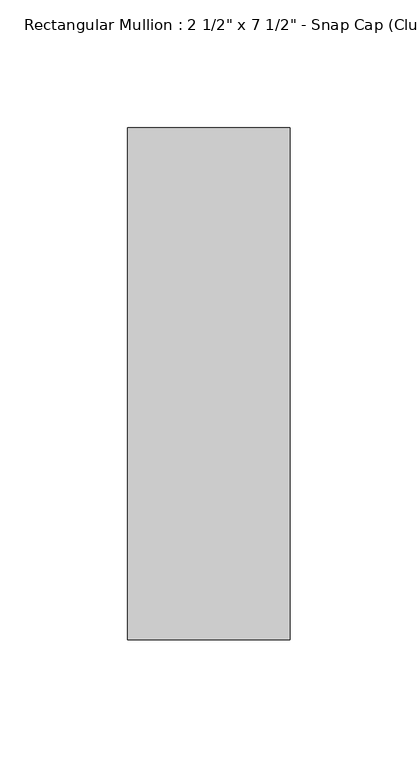
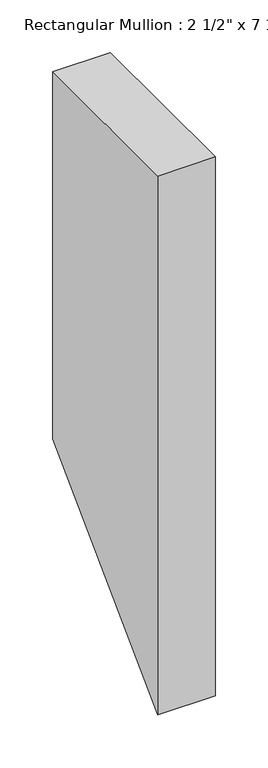
"""IFC4 building model written with IfcOpenShell, lengths in millimetres: member geometry."""

import ifcopenshell
import ifcopenshell.guid

model = None  # the IFC model being written
_history = None  # IfcOwnerHistory: only IFC2X3 demands one
_inside = {}  # id of a spatial element -> (the spatial element, [elements in it])
_under = {}  # id of a project, library or spatial element -> (it, [spatial elements below it])
_declared = {}  # id of a project -> (the project, [libraries it declares])
_typed = {}  # id of a type object -> (the type object, [elements of that type])
_made_of = {}  # id of a material, layer set ... -> (it, [elements and type objects made of it])


def new_model(schema):
    """Start an empty IFC model of exactly this schema.

    Asked for "IFC4X3", IfcOpenShell would pick the latest addendum, in which some entities
    have other attributes; the version numbers below select the first issue.
    IFC2X3 requires an IfcOwnerHistory on every rooted entity: one is made here for all.
    """
    global model, _history
    if schema == "IFC4X3":
        model = ifcopenshell.file(schema_version=(4, 3, 0, 0))
    else:
        model = ifcopenshell.file(schema=schema)
    _inside.clear()
    _under.clear()
    _declared.clear()
    _typed.clear()
    _made_of.clear()
    _history = None
    if model.schema == "IFC2X3":
        org = make("IfcOrganization", Name="unknown")
        user = make(
            "IfcPersonAndOrganization",
            ThePerson=make("IfcPerson", FamilyName="unknown"),
            TheOrganization=org,
        )
        app = make(
            "IfcApplication",
            ApplicationDeveloper=org,
            Version="unknown",
            ApplicationFullName="unknown",
            ApplicationIdentifier="unknown",
        )
        _history = make(
            "IfcOwnerHistory",
            OwningUser=user,
            OwningApplication=app,
            ChangeAction="ADDED",
            CreationDate=0,
        )
    return model


def make(cls, **values):
    """One entity of the class cls with the attributes given. An attribute that is None is left unset."""
    return model.create_entity(
        cls, **{name: value for name, value in values.items() if value is not None}
    )


def rooted(cls, **values):
    """An entity with a GlobalId (a new one), such as an element, a storey or a relation."""
    return make(cls, GlobalId=ifcopenshell.guid.new(), OwnerHistory=_history, **values)


def si_unit(unit_type, name, prefix=None):
    """IfcSIUnit, for example si_unit("LENGTHUNIT", "METRE", prefix="MILLI")."""
    return make("IfcSIUnit", UnitType=unit_type, Prefix=prefix, Name=name)


def assignment(units):
    """IfcUnitAssignment: the units of a project."""
    return None if units is None else make("IfcUnitAssignment", Units=units)


def point(xyz):
    """IfcCartesianPoint."""
    return None if xyz is None else make("IfcCartesianPoint", Coordinates=xyz)


def direction(xyz):
    """IfcDirection."""
    return None if xyz is None else make("IfcDirection", DirectionRatios=xyz)


def frame(location, z_axis=None, x_axis=None):
    """IfcAxis2Placement3D, a coordinate frame: its origin and axes. An axis left out is left unset."""
    return make(
        "IfcAxis2Placement3D",
        Location=point(location),
        Axis=direction(z_axis),
        RefDirection=direction(x_axis),
    )


def origin():
    """The frame at (0, 0, 0) with its axes left unset."""
    return frame((0.0, 0.0, 0.0))


def place(relative_to, where):
    """IfcLocalPlacement: puts the frame where relative to a parent placement (None: the world)."""
    return make(
        "IfcLocalPlacement", PlacementRelTo=relative_to, RelativePlacement=where
    )


def context(
    kind, dimensions, precision=None, world=None, true_north=None, identifier=None
):
    """IfcGeometricRepresentationContext, for example the 3D "Model" context."""
    return make(
        "IfcGeometricRepresentationContext",
        ContextIdentifier=identifier,
        ContextType=kind,
        CoordinateSpaceDimension=dimensions,
        Precision=precision,
        WorldCoordinateSystem=world,
        TrueNorth=true_north,
    )


def project(units=None, contexts=None):
    """IfcProject with its units and contexts."""
    return rooted(
        "IfcProject",
        Name="project",
        RepresentationContexts=contexts,
        UnitsInContext=assignment(units),
    )


def spatial(cls, under=None, at=None, **own):
    """A site, building, storey or space (cls), placed at a placement, below another one or the project."""
    s = rooted(cls, ObjectPlacement=at, **own)
    if under is not None:
        _under.setdefault(under.id(), (under, []))[1].append(s)
    return s


def polyline(points):
    """IfcPolyline through the points."""
    return make("IfcPolyline", Points=[point(p) for p in points])


def outline(outer, holes=None, kind="AREA"):
    """IfcArbitraryClosedProfileDef: a profile drawn as a closed curve; with holes, ...WithVoids."""
    if holes is None:
        return make("IfcArbitraryClosedProfileDef", ProfileType=kind, OuterCurve=outer)
    return make(
        "IfcArbitraryProfileDefWithVoids",
        ProfileType=kind,
        OuterCurve=outer,
        InnerCurves=holes,
    )


def extrude(swept, where, along, depth):
    """IfcExtrudedAreaSolid: the profile swept, set in the frame where, extruded along a direction by depth."""
    return make(
        "IfcExtrudedAreaSolid",
        SweptArea=swept,
        Position=where,
        ExtrudedDirection=direction(along),
        Depth=depth,
    )


def shape(context_of_items, identifier, shape_type, items):
    """IfcShapeRepresentation: the items that make up one representation, for example the "Body"."""
    return make(
        "IfcShapeRepresentation",
        ContextOfItems=context_of_items,
        RepresentationIdentifier=identifier,
        RepresentationType=shape_type,
        Items=items,
    )


def source(mapping_origin, context_of_items, identifier, shape_type, items):
    """IfcRepresentationMap: a shape defined once, which mapped items show again and again."""
    return make(
        "IfcRepresentationMap",
        MappingOrigin=mapping_origin,
        MappedRepresentation=shape(context_of_items, identifier, shape_type, items),
    )


def transform(
    local_origin,
    x_axis=None,
    y_axis=None,
    z_axis=None,
    scale=None,
    scale2=None,
    scale3=None,
    uniform=True,
):
    """IfcCartesianTransformationOperator3D, or its non-uniform kind. x_axis, y_axis, z_axis: its Axis1, 2, 3."""
    if uniform:
        return make(
            "IfcCartesianTransformationOperator3D",
            Axis1=direction(x_axis),
            Axis2=direction(y_axis),
            LocalOrigin=point(local_origin),
            Scale=scale,
            Axis3=direction(z_axis),
        )
    return make(
        "IfcCartesianTransformationOperator3DnonUniform",
        Axis1=direction(x_axis),
        Axis2=direction(y_axis),
        LocalOrigin=point(local_origin),
        Scale=scale,
        Axis3=direction(z_axis),
        Scale2=scale2,
        Scale3=scale3,
    )


def mapped(mapping_source, mapping_target):
    """IfcMappedItem: shows the shape of a source again, moved by a transform."""
    return make(
        "IfcMappedItem", MappingSource=mapping_source, MappingTarget=mapping_target
    )


def made_of(thing, what):
    """Note that an element or type object is made of a material, layer set ...; save() writes the relation."""
    if what is not None:
        _made_of.setdefault(what.id(), (what, []))[1].append(thing)
    return thing


def element(
    cls,
    number,
    at=None,
    inside=None,
    cuts=None,
    type_object=None,
    material=None,
    context=None,
    identifier="Body",
    shape_type=None,
    held_by="IfcProductDefinitionShape",
    body=None,
    shapes=None,
    **own,
):
    """One element of the class cls, such as IfcWall. Its Tag is "e" and its number.

    at: its placement. inside: the storey or other place that contains it. cuts: it is an
    opening in that element (IfcRelVoidsElement). A single representation is given by context,
    identifier, shape_type and body (its items); several are given by shapes. held_by: the class
    of the entity that holds the representations. save() writes the other relations.
    """
    e = rooted(cls, Tag="e%d" % number, ObjectPlacement=at, **own)
    if body is not None:
        shapes = [shape(context, identifier, shape_type, body)]
    if shapes is not None:
        e.Representation = make(held_by, Representations=shapes)
    if inside is not None:
        _inside.setdefault(inside.id(), (inside, []))[1].append(e)
    if cuts is not None:
        rooted(
            "IfcRelVoidsElement", RelatingBuildingElement=cuts, RelatedOpeningElement=e
        )
    if type_object is not None:
        _typed.setdefault(type_object.id(), (type_object, []))[1].append(e)
    return made_of(e, material)


def aggregate(whole, parts):
    """IfcRelAggregates: a whole, such as a stair, and the parts it consists of."""
    return rooted("IfcRelAggregates", RelatingObject=whole, RelatedObjects=parts)


def save(model, path):
    """Write the relations noted so far, then the file.

    IfcRelAggregates (storeys below a building ...), IfcRelContainedInSpatialStructure (elements
    in a storey), IfcRelDefinesByType, IfcRelAssociatesMaterial and IfcRelDeclares: one each for
    every whole, place, type object, material and project.
    """
    for whole, parts in _under.values():
        aggregate(whole, parts)
    for where, things in _inside.values():
        rooted(
            "IfcRelContainedInSpatialStructure",
            RelatedElements=things,
            RelatingStructure=where,
        )
    for kind, things in _typed.values():
        rooted("IfcRelDefinesByType", RelatedObjects=things, RelatingType=kind)
    for what, things in _made_of.values():
        rooted("IfcRelAssociatesMaterial", RelatedObjects=things, RelatingMaterial=what)
    for by, libraries in _declared.values():
        rooted("IfcRelDeclares", RelatingContext=by, RelatedDefinitions=libraries)
    model.write(path)


def member_71f39aad(model_context):
    return source(origin(), model_context, "Body", "SweptSolid", [
        extrude(outline(polyline([(-174.2, 0.0), (25.8, 0.0), (25.8, -426.9401786), (-174.2, -626.9401786), (-174.2, 0.0)])), frame((-63.5, 0.0, 0.0), z_axis=(1.0, 0.0, 0.0), x_axis=(0.0, 1.0, 0.0)), (0.0, 0.0, 1.0), 63.5),
    ])


if __name__ == "__main__":
    model = new_model("IFC4")
    model_context = context("Model", 3, world=origin())
    ifc_project = project(units=[si_unit("LENGTHUNIT", "METRE", prefix="MILLI")], contexts=[model_context])
    site = spatial("IfcSite", under=ifc_project)
    building = spatial("IfcBuilding", under=site)
    placement = place(None, origin())
    member_shape = member_71f39aad(model_context)
    element("IfcMember", 1, ObjectType="Rectangular Mullion : 2 1/2\" x 7 1/2\" - Snap Cap (Club)", at=placement, inside=building, context=model_context, shape_type="MappedRepresentation", body=[
        mapped(member_shape, transform((0.0, 0.0, 0.0), x_axis=(1.0, 0.0, 0.0), y_axis=(0.0, 1.0, 0.0), z_axis=(0.0, 0.0, 1.0))),
    ])
    save(model, "model.ifc")
